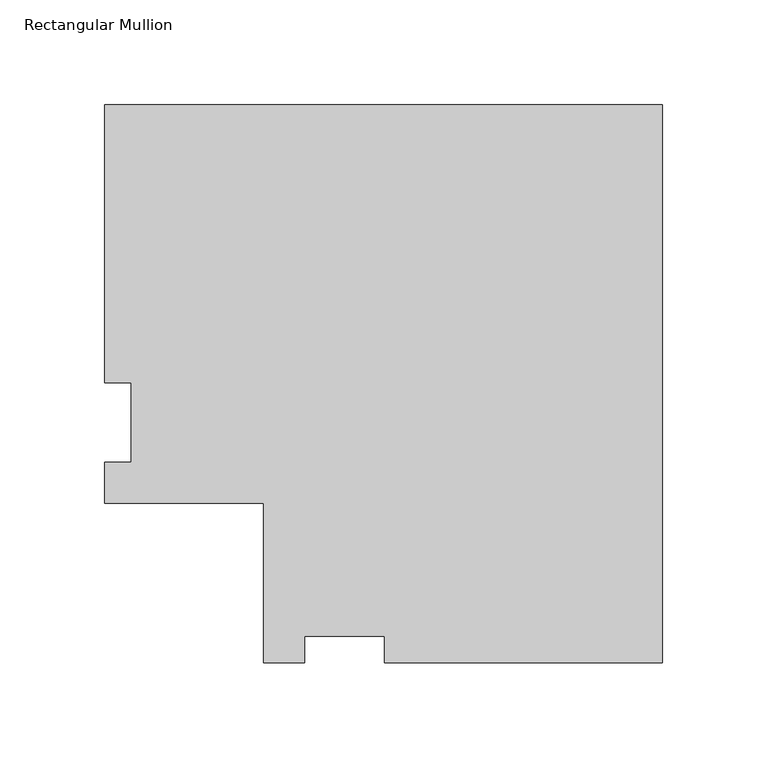
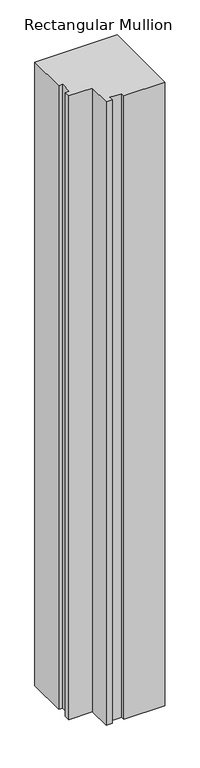
"""IFC4 building model written with IfcOpenShell, lengths in millimetres: member geometry, Rectangular Mullion."""

from ifc_helpers import new_model, si_unit, frame, origin, place, context, project, spatial, polyline, outline, extrude, source, transform, mapped, element, save


def rectangular_mullion_c3e876f9(model_context):
    return source(origin(), model_context, "Body", "SweptSolid", [
        extrude(outline(polyline([(-266.7762, 190.5896938), (0.0, 190.5896938), (0.0, -76.1865068), (-132.9436021, -76.1865068), (-132.9436021, -63.4865062), (-171.0436, -63.4865062), (-171.0436, -76.1865063), (-190.5762, -76.1865063), (-190.5762, 0.0134938), (-266.7762, 0.0134938), (-266.7762, 19.5460938), (-254.0762, 19.5460938), (-254.0762, 57.6460938), (-266.7762, 57.6460938), (-266.7762, 190.5896938)])), frame((0.0, 0.0, -2133.6), z_axis=(0.0, 0.0, 1.0), x_axis=(1.0, 0.0, 0.0)), (0.0, 0.0, 1.0), 2133.6),
    ])


if __name__ == "__main__":
    model = new_model("IFC4")
    model_context = context("Model", 3, world=origin())
    ifc_project = project(units=[si_unit("LENGTHUNIT", "METRE", prefix="MILLI")], contexts=[model_context])
    site = spatial("IfcSite", under=ifc_project)
    building = spatial("IfcBuilding", under=site)
    placement = place(None, origin())
    rectangular_mullion_shape = rectangular_mullion_c3e876f9(model_context)
    element("IfcMember", 1, ObjectType="Rectangular Mullion", at=placement, inside=building, context=model_context, shape_type="MappedRepresentation", body=[
        mapped(rectangular_mullion_shape, transform((0.0, 0.0, 0.0), x_axis=(1.0, 0.0, 0.0), y_axis=(0.0, 1.0, 0.0), z_axis=(0.0, 0.0, 1.0))),
    ])
    save(model, "model.ifc")
